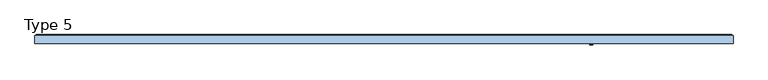
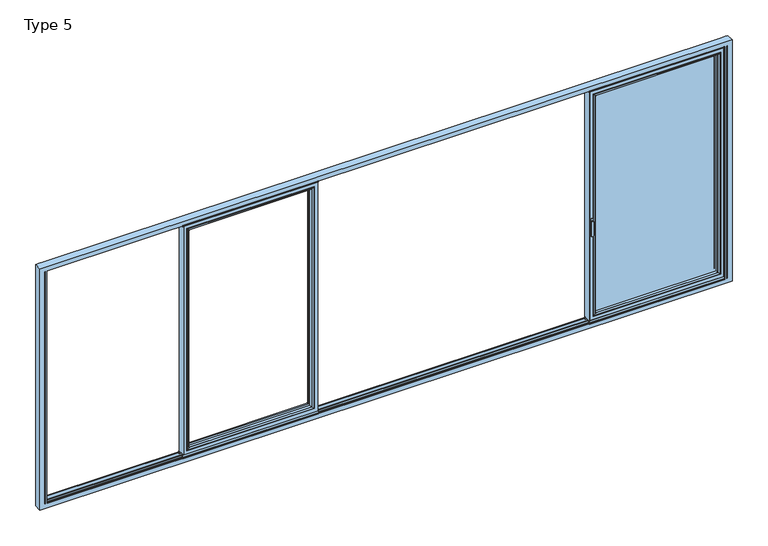
"""IFC4 building model written with IfcOpenShell, lengths in millimetres: window geometry, Type 5."""

from ifc_helpers import new_model, si_unit, point, frame, frame_2d, origin, place, context, project, spatial, polyline, circle_curve, ellipse_curve, trimmed, segment, composite_curve, outline, extrude, source, transform, mapped, element, save
from ifc_brep_helpers import plane_surface, cylinder_surface, extruded_surface, advanced_brep


def type_5_6c01a6b6(model_context):
    return source(origin(), model_context, "Body", "SolidModel", [
        advanced_brep(
        [(-1841.2804272, -64.5552044, 2283.0004272), (-1841.2804272, -64.5552044, 128.9995728), (-1841.2804272, -37.9928974, 128.9995728), (-1841.2804272, -37.9928974, 2283.0004272), (-1863.28, -37.9928974, 2305.0), (-671.76, -37.9928974, 2305.0), (-671.76, -37.9928974, 107.0), (-1863.28, -37.9928974, 107.0), (-693.7595728, -37.9928974, 2283.0004272), (-693.7595728, -37.9928974, 128.9995728), (-693.7595728, -64.5552044, 128.9995728), (-1841.9899707, -65.8045072, 2283.7099707), (-1841.9899707, -65.8045072, 128.2900293), (-693.0500293, -65.8045072, 128.2900293), (-1857.280061, -70.0, 2299.000061), (-1857.280061, -70.0, 112.999939), (-677.759939, -70.0, 112.999939), (-671.76, -70.0, 2305.0), (-1863.28, -70.0, 2305.0), (-1863.28, -70.0, 107.0), (-671.76, -70.0, 107.0), (-677.759939, -70.0, 2299.000061), (-693.7595728, -64.5552044, 2283.0004272), (-693.0500293, -65.8045072, 2283.7099707)],
        [
            (0, 1),
            (1, 2),
            (2, 3),
            (3, 0),
            (4, 5),
            (5, 6),
            (6, 7),
            (7, 4),
            (8, 3),
            (2, 9),
            (9, 8),
            (1, 10),
            (10, 9),
            (11, 12),
            (12, 1, ellipse_curve(frame((-1842.7350312, -64.5552044, 127.5449688), z_axis=(-0.7071067811865475, 0.0, 0.7071067811865475), x_axis=(0.7071067811865474, 0.0, 0.7071067811865476)), 2.0571207, 1.454604)),
            (0, 11, ellipse_curve(frame((-1842.7350312, -64.5552044, 2284.4550312), z_axis=(-0.7071067811865475, 0.0, -0.7071067811865475), x_axis=(-0.7071067811865474, 0.0, 0.7071067811865476)), 2.0571207, 1.454604)),
            (12, 13),
            (13, 10, ellipse_curve(frame((-692.3049688, -64.5552044, 127.5449688), z_axis=(-0.7071067811865475, 0.0, -0.7071067811865475), x_axis=(-0.7071067811865476, 0.0, 0.7071067811865474)), 2.0571207, 1.454604)),
            (14, 15),
            (15, 12, ellipse_curve(frame((-1857.2161254, -40.2735922, 113.0638746), z_axis=(-0.7071067811865475, 0.0, 0.7071067811865475), x_axis=(0.7071067811865474, 0.0, 0.7071067811865476)), 42.0395863, 29.7264765)),
            (11, 14, ellipse_curve(frame((-1857.2161254, -40.2735922, 2298.9361254), z_axis=(-0.7071067811865475, 0.0, -0.7071067811865475), x_axis=(-0.7071067811865474, 0.0, 0.7071067811865476)), 42.0395863, 29.7264765)),
            (15, 16),
            (16, 13, ellipse_curve(frame((-677.8238746, -40.2735922, 113.0638746), z_axis=(-0.7071067811865475, 0.0, -0.7071067811865475), x_axis=(-0.7071067811865476, 0.0, 0.7071067811865474)), 42.0395863, 29.7264765)),
            (17, 18),
            (18, 19),
            (19, 20),
            (20, 17),
            (14, 21),
            (21, 16),
            (7, 19),
            (18, 4),
            (6, 20),
            (10, 22),
            (22, 8),
            (13, 23),
            (23, 22, ellipse_curve(frame((-692.3049688, -64.5552044, 2284.4550312), z_axis=(0.7071067811865475, 0.0, -0.7071067811865475), x_axis=(-0.7071067811865474, 0.0, -0.7071067811865476)), 2.0571207, 1.454604)),
            (21, 23, ellipse_curve(frame((-677.8238746, -40.2735922, 2298.9361254), z_axis=(0.7071067811865475, 0.0, -0.7071067811865475), x_axis=(-0.7071067811865474, 0.0, -0.7071067811865476)), 42.0395863, 29.7264765)),
            (5, 17),
            (22, 0),
            (23, 11),
        ],
        [
            plane_surface(frame((-1841.2804272, -37.9928974, 2283.0004272), z_axis=(1.0, 0.0, 0.0), x_axis=(0.0, 0.0, -1.0))),
            plane_surface(frame((-671.76, -37.9928974, 107.0), z_axis=(0.0, 1.0, 0.0), x_axis=(0.0, 0.0, 1.0))),
            plane_surface(frame((-1841.2804272, -37.9928974, 128.9995728), z_axis=(0.0, 0.0, 1.0), x_axis=(1.0, 0.0, 0.0))),
            cylinder_surface(frame((-1842.7350312, -64.5552044, 2283.0004272), z_axis=(0.0, 0.0, 1.0), x_axis=(-1.0, 0.0, 0.0)), 1.454604),
            cylinder_surface(frame((-1841.2804272, -64.5552044, 127.5449688), z_axis=(-1.0, 0.0, 0.0), x_axis=(0.0, 0.0, -1.0)), 1.454604),
            cylinder_surface(frame((-1857.2161254, -40.2735922, 2283.0004272), z_axis=(0.0, 0.0, 1.0), x_axis=(-1.0, 0.0, 0.0)), 29.7264765),
            cylinder_surface(frame((-1841.2804272, -40.2735922, 113.0638746), z_axis=(-1.0, 0.0, 0.0), x_axis=(0.0, 0.0, -1.0)), 29.7264765),
            plane_surface(frame((-677.759939, -70.0, 112.999939), z_axis=(0.0, -1.0, 0.0), x_axis=(0.0, 0.0, 1.0))),
            plane_surface(frame((-1863.28, -70.0, 2305.0), z_axis=(-1.0, 0.0, 0.0), x_axis=(0.0, 0.0, -1.0))),
            plane_surface(frame((-1863.28, -70.0, 107.0), z_axis=(0.0, 0.0, -1.0), x_axis=(1.0, 0.0, 0.0))),
            plane_surface(frame((-693.7595728, -37.9928974, 128.9995728), z_axis=(-1.0, 0.0, 0.0), x_axis=(0.0, 0.0, 1.0))),
            cylinder_surface(frame((-692.3049688, -64.5552044, 128.9995728), z_axis=(0.0, 0.0, -1.0), x_axis=(1.0, 0.0, 0.0)), 1.454604),
            cylinder_surface(frame((-677.8238746, -40.2735922, 128.9995728), z_axis=(0.0, 0.0, -1.0), x_axis=(1.0, 0.0, 0.0)), 29.7264765),
            plane_surface(frame((-671.76, -70.0, 107.0), z_axis=(1.0, 0.0, 0.0), x_axis=(0.0, 0.0, 1.0))),
            plane_surface(frame((-693.7595728, -37.9928974, 2283.0004272), z_axis=(0.0, 0.0, -1.0), x_axis=(-1.0, 0.0, 0.0))),
            cylinder_surface(frame((-693.7595728, -64.5552044, 2284.4550312), z_axis=(1.0, 0.0, 0.0), x_axis=(0.0, 0.0, 1.0)), 1.454604),
            cylinder_surface(frame((-693.7595728, -40.2735922, 2298.9361254), z_axis=(1.0, 0.0, 0.0), x_axis=(0.0, 0.0, 1.0)), 29.7264765),
            plane_surface(frame((-671.76, -70.0, 2305.0), z_axis=(0.0, 0.0, 1.0), x_axis=(-1.0, 0.0, 0.0))),
        ],
        [
            (0, [[1, 2, 3, 4]]),
            (1, [[5, 6, 7, 8], [9, -3, 10, 11]]),
            (2, [[12, 13, -10, -2]]),
            (3, [[14, 15, -1, 16]]),
            (4, [[17, 18, -12, -15]]),
            (5, [[19, 20, -14, 21]]),
            (6, [[22, 23, -17, -20]]),
            (7, [[24, 25, 26, 27], [28, 29, -22, -19]]),
            (8, [[-8, 30, -25, 31]]),
            (9, [[-7, 32, -26, -30]]),
            (10, [[33, 34, -11, -13]]),
            (11, [[35, 36, -33, -18]]),
            (12, [[-29, 37, -35, -23]]),
            (13, [[-6, 38, -27, -32]]),
            (14, [[39, -4, -9, -34]]),
            (15, [[40, -16, -39, -36]]),
            (16, [[-28, -21, -40, -37]]),
            (17, [[-5, -31, -24, -38]]),
        ],
    ),
        advanced_brep(
        [(-639.76, -70.0, 2337.0), (-639.76, -70.0, 75.0), (-639.76, 0.0, 75.0), (-639.76, 0.0, 2337.0), (-1895.28, -70.0, 75.0), (-1895.28, 0.0, 75.0), (-1895.28, 0.0, 2337.0), (-1845.7808099, 0.0, 124.4991901), (-689.2591901, 0.0, 124.4991901), (-689.2591901, 0.0, 2287.5008099), (-1845.7808099, 0.0, 2287.5008099), (-1895.28, -70.0, 2337.0), (-671.76, -70.0, 107.0), (-1863.28, -70.0, 107.0), (-1863.28, -70.0, 2305.0), (-671.76, -70.0, 2305.0), (-671.76, -13.999939, 2305.0), (-671.76, -13.999939, 107.0), (-1863.28, -13.999939, 107.0), (-1863.28, -13.999939, 2305.0), (-693.7595728, -13.999939, 128.9995728), (-1841.2804272, -13.999939, 128.9995728), (-1841.2804272, -13.999939, 2283.0004272), (-693.7595728, -13.999939, 2283.0004272), (-693.7595728, -4.5004435, 2283.0004272), (-693.7595728, -4.5004435, 128.9995728), (-1841.2804272, -4.5004435, 128.9995728), (-1841.2804272, -4.5004435, 2283.0004272)],
        [
            (0, 1),
            (1, 2),
            (2, 3),
            (3, 0),
            (1, 4),
            (4, 5),
            (5, 2),
            (5, 6),
            (6, 3),
            (7, 8),
            (8, 9),
            (9, 10),
            (10, 7),
            (4, 11),
            (11, 6),
            (0, 11),
            (12, 13),
            (13, 14),
            (14, 15),
            (15, 12),
            (16, 17),
            (17, 12),
            (15, 16),
            (17, 18),
            (18, 13),
            (18, 19),
            (19, 14),
            (16, 19),
            (20, 21),
            (21, 22),
            (22, 23),
            (23, 20),
            (24, 25),
            (25, 20),
            (23, 24),
            (25, 26),
            (26, 21),
            (26, 27),
            (27, 22),
            (7, 26, ellipse_curve(frame((-1845.7808099, -4.5004435, 124.4991901), z_axis=(0.7071067811865475, 0.0, -0.7071067811865475), x_axis=(0.7071067811865476, 0.0, 0.7071067811865474)), 6.3645023, 4.5003827)),
            (25, 8, ellipse_curve(frame((-689.2591901, -4.5004435, 124.4991901), z_axis=(-0.7071067811865475, 0.0, -0.7071067811865475), x_axis=(0.7071067811865476, 0.0, -0.7071067811865474)), 6.3645023, 4.5003827)),
            (24, 9, ellipse_curve(frame((-689.2591901, -4.5004435, 2287.5008099), z_axis=(0.7071067811865475, 0.0, -0.7071067811865475), x_axis=(0.7071067811865474, 0.0, 0.7071067811865476)), 6.3645023, 4.5003827)),
            (10, 27, ellipse_curve(frame((-1845.7808099, -4.5004435, 2287.5008099), z_axis=(-0.7071067811865475, 0.0, -0.7071067811865475), x_axis=(0.7071067811865474, 0.0, -0.7071067811865476)), 6.3645023, 4.5003827)),
            (27, 24),
        ],
        [
            plane_surface(frame((-639.76, 0.0, 2337.0), z_axis=(1.0, 0.0, 0.0), x_axis=(0.0, 0.0, -1.0))),
            plane_surface(frame((-639.76, 0.0, 75.0), z_axis=(0.0, 0.0, -1.0), x_axis=(-1.0, 0.0, 0.0))),
            plane_surface(frame((-689.2591901, 0.0, 2287.5008099), z_axis=(0.0, 1.0, 0.0), x_axis=(0.0, 0.0, -1.0))),
            plane_surface(frame((-1895.28, 0.0, 75.0), z_axis=(-1.0, 0.0, 0.0), x_axis=(0.0, 0.0, 1.0))),
            plane_surface(frame((-639.76, -70.0, 2337.0), z_axis=(0.0, -1.0, 0.0), x_axis=(0.0, 0.0, -1.0))),
            plane_surface(frame((-671.76, -70.0, 2305.0), z_axis=(-1.0, 0.0, 0.0), x_axis=(0.0, 0.0, -1.0))),
            plane_surface(frame((-671.76, -70.0, 107.0), z_axis=(0.0, 0.0, 1.0), x_axis=(-1.0, 0.0, 0.0))),
            plane_surface(frame((-1863.28, -70.0, 107.0), z_axis=(1.0, 0.0, 0.0), x_axis=(0.0, 0.0, 1.0))),
            plane_surface(frame((-671.76, -13.999939, 2305.0), z_axis=(0.0, -1.0, 0.0), x_axis=(0.0, 0.0, -1.0))),
            plane_surface(frame((-693.7595728, -13.999939, 2283.0004272), z_axis=(-1.0, 0.0, 0.0), x_axis=(0.0, 0.0, -1.0))),
            plane_surface(frame((-693.7595728, -13.999939, 128.9995728), z_axis=(0.0, 0.0, 1.0), x_axis=(-1.0, 0.0, 0.0))),
            plane_surface(frame((-1841.2804272, -13.999939, 128.9995728), z_axis=(1.0, 0.0, 0.0), x_axis=(0.0, 0.0, 1.0))),
            cylinder_surface(frame((-633.76, -4.5004435, 124.4991901), z_axis=(1.0, 0.0, 0.0), x_axis=(0.0, -1.0, 0.0)), 4.5003827),
            cylinder_surface(frame((-689.2591901, -4.5004435, 2343.0), z_axis=(0.0, 0.0, 1.0), x_axis=(0.0, -1.0, 0.0)), 4.5003827),
            cylinder_surface(frame((-1845.7808099, -4.5004435, 69.0), z_axis=(0.0, 0.0, -1.0), x_axis=(0.0, -1.0, 0.0)), 4.5003827),
            plane_surface(frame((-1895.28, 0.0, 2337.0), z_axis=(0.0, 0.0, 1.0), x_axis=(1.0, 0.0, 0.0))),
            plane_surface(frame((-1863.28, -70.0, 2305.0), z_axis=(0.0, 0.0, -1.0), x_axis=(1.0, 0.0, 0.0))),
            plane_surface(frame((-1841.2804272, -13.999939, 2283.0004272), z_axis=(0.0, 0.0, -1.0), x_axis=(1.0, 0.0, 0.0))),
            cylinder_surface(frame((-1901.28, -4.5004435, 2287.5008099), z_axis=(-1.0, 0.0, 0.0), x_axis=(0.0, -1.0, 0.0)), 4.5003827),
        ],
        [
            (0, [[1, 2, 3, 4]]),
            (1, [[5, 6, 7, -2]]),
            (2, [[-7, 8, 9, -3], [10, 11, 12, 13]]),
            (3, [[14, 15, -8, -6]]),
            (4, [[-5, -1, 16, -14], [17, 18, 19, 20]]),
            (5, [[21, 22, -20, 23]]),
            (6, [[24, 25, -17, -22]]),
            (7, [[26, 27, -18, -25]]),
            (8, [[-24, -21, 28, -26], [29, 30, 31, 32]]),
            (9, [[33, 34, -32, 35]]),
            (10, [[36, 37, -29, -34]]),
            (11, [[38, 39, -30, -37]]),
            (12, [[-10, 40, -36, 41]]),
            (13, [[-11, -41, -33, 42]]),
            (14, [[-13, 43, -38, -40]]),
            (15, [[-16, -4, -9, -15]]),
            (16, [[-28, -23, -19, -27]]),
            (17, [[44, -35, -31, -39]]),
            (18, [[-12, -42, -44, -43]]),
        ],
    ),
        extrude(outline(polyline([(-633.76, -7.6000076), (-1901.28, -7.6000076), (-1901.28, 0.0), (-633.76, 0.0), (-633.76, -7.6000076)])), frame((0.0, 0.0, 52.9995117), z_axis=(0.0, 0.0, 1.0), x_axis=(1.0, 0.0, 0.0)), (0.0, 0.0, 1.0), 22.0004883),
        extrude(outline(composite_curve([segment(polyline([(-70.0, 45.0), (-70.0, 41.2896854), (-70.8737, 41.2896854), (-71.8670103, 44.9870904)]), True, "CONTINUOUS"), segment(trimmed(circle_curve(frame_2d((-69.9354978, 45.5059925)), 2.0), [point((-71.8670103, 44.9870904))], [point((-71.8566157, 46.0621453))], False, "CARTESIAN"), True, "CONTINUOUS"), segment(polyline([(-71.8566157, 46.0621453), (-70.0, 52.4754501), (-70.0, 75.0), (-62.2757497, 75.0), (-62.2757497, 45.0), (-70.0, 45.0)]), True, "CONTINUOUS")], self_intersect=False)), frame((-1901.28, 0.0, 0.0), z_axis=(1.0, 0.0, 0.0), x_axis=(0.0, 1.0, 0.0)), (0.0, 0.0, 1.0), 1267.52),
        extrude(outline(composite_curve([segment(polyline([(-52.044326, 2339.1400778), (-52.044326, 2337.0), (-70.0, 2337.0), (-71.8735116, 2343.9547971)]), True, "CONTINUOUS"), segment(trimmed(circle_curve(frame_2d((-69.9423544, 2344.4750201)), 2.0), [point((-71.8735116, 2343.9547971))], [point((-71.8738669, 2344.9939222))], False, "CARTESIAN"), True, "CONTINUOUS"), segment(polyline([(-71.8738669, 2344.9939222), (-70.8937897, 2348.6420698), (-70.0, 2348.6420698), (-70.0, 2342.963961), (-68.6363596, 2339.1400778), (-52.044326, 2339.1400778)]), True, "CONTINUOUS")], self_intersect=False)), frame((-1901.28, 0.0, 0.0), z_axis=(1.0, 0.0, 0.0), x_axis=(0.0, 1.0, 0.0)), (0.0, 0.0, 1.0), 1267.52),
        advanced_brep(
        [(1935.2686308, -73.5, 1050.0), (1911.2913692, -73.5, 1050.0), (1935.2686308, -76.8965533, 1050.0), (1911.2913692, -76.8965533, 1050.0), (1935.2686308, -84.5, 1050.0), (1911.2913692, -84.5, 1050.0), (1911.2913692, -84.5, 918.6867153), (1935.2686308, -84.5, 918.6867153), (1935.2686308, -76.8965533, 918.6867153), (1911.2913692, -76.8965533, 918.6867153)],
        [
            (0, 1, circle_curve(frame((1923.28, -73.5, 1050.0), z_axis=(0.0, 1.0, 0.0), x_axis=(-1.0, 0.0, 0.0)), 11.9886308)),
            (1, 0, circle_curve(frame((1923.28, -73.5, 1050.0), z_axis=(0.0, 1.0, 0.0), x_axis=(-1.0, 0.0, 0.0)), 11.9886308)),
            (0, 2),
            (2, 3, circle_curve(frame((1923.28, -76.8965533, 1050.0), z_axis=(0.0, 1.0, 0.0), x_axis=(-1.0, 0.0, 0.0)), 11.9886308)),
            (3, 1),
            (3, 2, circle_curve(frame((1923.28, -76.8965533, 1050.0), z_axis=(0.0, 1.0, 0.0), x_axis=(-1.0, 0.0, 0.0)), 11.9886308)),
            (4, 5, circle_curve(frame((1923.28, -84.5, 1050.0), z_axis=(0.0, -1.0, 0.0), x_axis=(-1.0, 0.0, 0.0)), 11.9886308)),
            (5, 6),
            (6, 7, ellipse_curve(frame((1923.28, -84.5, 918.6867153), z_axis=(0.0, -1.0, 0.0), x_axis=(1.0, 0.0, 0.0)), 11.9886308, 7.9050795)),
            (7, 4),
            (2, 8),
            (8, 9, ellipse_curve(frame((1923.28, -76.8965533, 918.6867153), z_axis=(0.0, 1.0, 0.0), x_axis=(1.0, 0.0, 0.0)), 11.9886308, 7.9050795)),
            (9, 3),
            (7, 8),
            (2, 4),
            (6, 9),
            (5, 3),
        ],
        [
            plane_surface(frame((1911.2913692, -73.5, 1050.0), z_axis=(0.0, 1.0, 0.0), x_axis=(0.0, 0.0, -1.0))),
            cylinder_surface(frame((1923.28, -73.5, 1050.0), z_axis=(0.0, -1.0, 0.0), x_axis=(-1.0, 0.0, 0.0)), 11.9886308),
            plane_surface(frame((1935.2686308, -84.5, 928.3382074), z_axis=(0.0, -1.0, 0.0), x_axis=(0.0, 0.0, -1.0))),
            plane_surface(frame((1935.2686308, -76.8965533, 928.3382074), z_axis=(0.0, 1.0, 0.0), x_axis=(0.0, 0.0, 1.0))),
            plane_surface(frame((1935.2686308, -84.5, 1050.0), z_axis=(1.0, 0.0, 0.0), x_axis=(0.0, 1.0, 0.0))),
            extruded_surface(trimmed(ellipse_curve(frame((1923.28, -76.8965533, 918.6867153), z_axis=(0.0, 1.0, 0.0), x_axis=(1.0, 0.0, 0.0)), 11.9886308, 7.9050795), [point((1935.2686308, -76.8965533, 918.6867153))], [point((1911.2913692, -76.8965533, 918.6867153))], True, "CARTESIAN"), (0.0, 7.603446699999992, 0.0), 7.603446699999992),
            plane_surface(frame((1911.2913692, -84.5, 918.6867153), z_axis=(-1.0, 0.0, 0.0), x_axis=(0.0, 1.0, 0.0))),
            cylinder_surface(frame((1923.28, -76.8965533, 1050.0), z_axis=(0.0, -1.0, 0.0), x_axis=(-1.0, 0.0, 0.0)), 11.9886308),
        ],
        [
            (0, [[1, 2]]),
            (1, [[3, 4, 5, -1]]),
            (1, [[-5, 6, -3, -2]]),
            (2, [[7, 8, 9, 10]]),
            (3, [[-4, 11, 12, 13]]),
            (4, [[14, -11, 15, -10]]),
            (5, [[16, -12, -14, -9]]),
            (6, [[17, -13, -16, -8]]),
            (7, [[-15, -6, -17, -7]]),
        ],
    ),
        extrude(outline(composite_curve([segment(trimmed(circle_curve(frame_2d((1068.75, 1923.28)), 14.0), [point((1068.75, 1937.28))], [point((1068.75, 1909.28))], False, "CARTESIAN"), True, "CONTINUOUS"), segment(polyline([(1068.75, 1909.28), (1031.25, 1909.28)]), True, "CONTINUOUS"), segment(trimmed(circle_curve(frame_2d((1031.25, 1923.28)), 14.0), [point((1031.25, 1909.28))], [point((1031.25, 1937.28))], False, "CARTESIAN"), True, "CONTINUOUS"), segment(polyline([(1031.25, 1937.28), (1068.75, 1937.28)]), True, "CONTINUOUS")], self_intersect=False)), frame((0.0, -73.5, 0.0), z_axis=(0.0, 1.0, 0.0), x_axis=(0.0, 0.0, 1.0)), (0.0, 0.0, 1.0), 3.5),
        extrude(outline(polyline([(3168.8, 0.0), (3168.8, -70.0), (3162.8, -70.0), (3162.8, 0.0), (3168.8, 0.0)])), frame((0.0, 0.0, 75.0), z_axis=(0.0, 0.0, 1.0), x_axis=(1.0, 0.0, 0.0)), (0.0, 0.0, 1.0), 2262.0),
        extrude(outline(polyline([(1901.28, 0.0), (1907.28, 0.0), (1907.28, -70.0), (1901.28, -70.0), (1901.28, 0.0)])), frame((0.0, 0.0, 75.0), z_axis=(0.0, 0.0, 1.0), x_axis=(1.0, 0.0, 0.0)), (0.0, 0.0, 1.0), 2262.0),
        extrude(outline(polyline([(3130.8, -13.999939), (3130.8, -37.9928974), (1939.28, -37.9928974), (1939.28, -13.999939), (3130.8, -13.999939)])), frame((0.0, 0.0, 107.0), z_axis=(0.0, 0.0, 1.0), x_axis=(1.0, 0.0, 0.0)), (0.0, 0.0, 1.0), 2198.0),
        advanced_brep(
        [(1961.2795728, -64.5552044, 2283.0004272), (1961.2795728, -64.5552044, 128.9995728), (1961.2795728, -37.9928974, 128.9995728), (1961.2795728, -37.9928974, 2283.0004272), (1939.28, -37.9928974, 2305.0), (3130.8, -37.9928974, 2305.0), (3130.8, -37.9928974, 107.0), (1939.28, -37.9928974, 107.0), (3108.8004272, -37.9928974, 2283.0004272), (3108.8004272, -37.9928974, 128.9995728), (3108.8004272, -64.5552044, 128.9995728), (1960.5700293, -65.8045072, 2283.7099707), (1960.5700293, -65.8045072, 128.2900293), (3109.5099707, -65.8045072, 128.2900293), (1945.279939, -70.0, 2299.000061), (1945.279939, -70.0, 112.999939), (3124.800061, -70.0, 112.999939), (3130.8, -70.0, 2305.0), (1939.28, -70.0, 2305.0), (1939.28, -70.0, 107.0), (3130.8, -70.0, 107.0), (3124.800061, -70.0, 2299.000061), (3108.8004272, -64.5552044, 2283.0004272), (3109.5099707, -65.8045072, 2283.7099707)],
        [
            (0, 1),
            (1, 2),
            (2, 3),
            (3, 0),
            (4, 5),
            (5, 6),
            (6, 7),
            (7, 4),
            (8, 3),
            (2, 9),
            (9, 8),
            (1, 10),
            (10, 9),
            (11, 12),
            (12, 1, ellipse_curve(frame((1959.8249688, -64.5552044, 127.5449688), z_axis=(-0.7071067811865475, 0.0, 0.7071067811865475), x_axis=(0.7071067811865474, 0.0, 0.7071067811865476)), 2.0571207, 1.454604)),
            (0, 11, ellipse_curve(frame((1959.8249688, -64.5552044, 2284.4550312), z_axis=(-0.7071067811865475, 0.0, -0.7071067811865475), x_axis=(-0.7071067811865474, 0.0, 0.7071067811865476)), 2.0571207, 1.454604)),
            (12, 13),
            (13, 10, ellipse_curve(frame((3110.2550312, -64.5552044, 127.5449688), z_axis=(-0.7071067811865475, 0.0, -0.7071067811865475), x_axis=(-0.7071067811865476, 0.0, 0.7071067811865474)), 2.0571207, 1.454604)),
            (14, 15),
            (15, 12, ellipse_curve(frame((1945.3438746, -40.2735922, 113.0638746), z_axis=(-0.7071067811865475, 0.0, 0.7071067811865475), x_axis=(0.7071067811865474, 0.0, 0.7071067811865476)), 42.0395863, 29.7264765)),
            (11, 14, ellipse_curve(frame((1945.3438746, -40.2735922, 2298.9361254), z_axis=(-0.7071067811865475, 0.0, -0.7071067811865475), x_axis=(-0.7071067811865474, 0.0, 0.7071067811865476)), 42.0395863, 29.7264765)),
            (15, 16),
            (16, 13, ellipse_curve(frame((3124.7361254, -40.2735922, 113.0638746), z_axis=(-0.7071067811865475, 0.0, -0.7071067811865475), x_axis=(-0.7071067811865476, 0.0, 0.7071067811865474)), 42.0395863, 29.7264765)),
            (17, 18),
            (18, 19),
            (19, 20),
            (20, 17),
            (14, 21),
            (21, 16),
            (7, 19),
            (18, 4),
            (6, 20),
            (10, 22),
            (22, 8),
            (13, 23),
            (23, 22, ellipse_curve(frame((3110.2550312, -64.5552044, 2284.4550312), z_axis=(0.7071067811865475, 0.0, -0.7071067811865475), x_axis=(-0.7071067811865474, 0.0, -0.7071067811865476)), 2.0571207, 1.454604)),
            (21, 23, ellipse_curve(frame((3124.7361254, -40.2735922, 2298.9361254), z_axis=(0.7071067811865475, 0.0, -0.7071067811865475), x_axis=(-0.7071067811865474, 0.0, -0.7071067811865476)), 42.0395863, 29.7264765)),
            (5, 17),
            (22, 0),
            (23, 11),
        ],
        [
            plane_surface(frame((1961.2795728, -37.9928974, 2283.0004272), z_axis=(1.0, 0.0, 0.0), x_axis=(0.0, 0.0, -1.0))),
            plane_surface(frame((3130.8, -37.9928974, 107.0), z_axis=(0.0, 1.0, 0.0), x_axis=(0.0, 0.0, 1.0))),
            plane_surface(frame((1961.2795728, -37.9928974, 128.9995728), z_axis=(0.0, 0.0, 1.0), x_axis=(1.0, 0.0, 0.0))),
            cylinder_surface(frame((1959.8249688, -64.5552044, 2283.0004272), z_axis=(0.0, 0.0, 1.0), x_axis=(-1.0, 0.0, 0.0)), 1.454604),
            cylinder_surface(frame((1961.2795728, -64.5552044, 127.5449688), z_axis=(-1.0, 0.0, 0.0), x_axis=(0.0, 0.0, -1.0)), 1.454604),
            cylinder_surface(frame((1945.3438746, -40.2735922, 2283.0004272), z_axis=(0.0, 0.0, 1.0), x_axis=(-1.0, 0.0, 0.0)), 29.7264765),
            cylinder_surface(frame((1961.2795728, -40.2735922, 113.0638746), z_axis=(-1.0, 0.0, 0.0), x_axis=(0.0, 0.0, -1.0)), 29.7264765),
            plane_surface(frame((3124.800061, -70.0, 112.999939), z_axis=(0.0, -1.0, 0.0), x_axis=(0.0, 0.0, 1.0))),
            plane_surface(frame((1939.28, -70.0, 2305.0), z_axis=(-1.0, 0.0, 0.0), x_axis=(0.0, 0.0, -1.0))),
            plane_surface(frame((1939.28, -70.0, 107.0), z_axis=(0.0, 0.0, -1.0), x_axis=(1.0, 0.0, 0.0))),
            plane_surface(frame((3108.8004272, -37.9928974, 128.9995728), z_axis=(-1.0, 0.0, 0.0), x_axis=(0.0, 0.0, 1.0))),
            cylinder_surface(frame((3110.2550312, -64.5552044, 128.9995728), z_axis=(0.0, 0.0, -1.0), x_axis=(1.0, 0.0, 0.0)), 1.454604),
            cylinder_surface(frame((3124.7361254, -40.2735922, 128.9995728), z_axis=(0.0, 0.0, -1.0), x_axis=(1.0, 0.0, 0.0)), 29.7264765),
            plane_surface(frame((3130.8, -70.0, 107.0), z_axis=(1.0, 0.0, 0.0), x_axis=(0.0, 0.0, 1.0))),
            plane_surface(frame((3108.8004272, -37.9928974, 2283.0004272), z_axis=(0.0, 0.0, -1.0), x_axis=(-1.0, 0.0, 0.0))),
            cylinder_surface(frame((3108.8004272, -64.5552044, 2284.4550312), z_axis=(1.0, 0.0, 0.0), x_axis=(0.0, 0.0, 1.0)), 1.454604),
            cylinder_surface(frame((3108.8004272, -40.2735922, 2298.9361254), z_axis=(1.0, 0.0, 0.0), x_axis=(0.0, 0.0, 1.0)), 29.7264765),
            plane_surface(frame((3130.8, -70.0, 2305.0), z_axis=(0.0, 0.0, 1.0), x_axis=(-1.0, 0.0, 0.0))),
        ],
        [
            (0, [[1, 2, 3, 4]]),
            (1, [[5, 6, 7, 8], [9, -3, 10, 11]]),
            (2, [[12, 13, -10, -2]]),
            (3, [[14, 15, -1, 16]]),
            (4, [[17, 18, -12, -15]]),
            (5, [[19, 20, -14, 21]]),
            (6, [[22, 23, -17, -20]]),
            (7, [[24, 25, 26, 27], [28, 29, -22, -19]]),
            (8, [[-8, 30, -25, 31]]),
            (9, [[-7, 32, -26, -30]]),
            (10, [[33, 34, -11, -13]]),
            (11, [[35, 36, -33, -18]]),
            (12, [[-29, 37, -35, -23]]),
            (13, [[-6, 38, -27, -32]]),
            (14, [[39, -4, -9, -34]]),
            (15, [[40, -16, -39, -36]]),
            (16, [[-28, -21, -40, -37]]),
            (17, [[-5, -31, -24, -38]]),
        ],
    ),
        advanced_brep(
        [(3162.8, -70.0, 2337.0), (3162.8, -70.0, 75.0), (3162.8, 0.0, 75.0), (3162.8, 0.0, 2337.0), (1907.28, -70.0, 75.0), (1907.28, 0.0, 75.0), (1907.28, 0.0, 2337.0), (1956.7791901, 0.0, 124.4991901), (3113.3008099, 0.0, 124.4991901), (3113.3008099, 0.0, 2287.5008099), (1956.7791901, 0.0, 2287.5008099), (1907.28, -70.0, 2337.0), (3130.8, -70.0, 107.0), (1939.28, -70.0, 107.0), (1939.28, -70.0, 2305.0), (3130.8, -70.0, 2305.0), (3130.8, -13.999939, 2305.0), (3130.8, -13.999939, 107.0), (1939.28, -13.999939, 107.0), (1939.28, -13.999939, 2305.0), (3108.8004272, -13.999939, 128.9995728), (1961.2795728, -13.999939, 128.9995728), (1961.2795728, -13.999939, 2283.0004272), (3108.8004272, -13.999939, 2283.0004272), (3108.8004272, -4.5004435, 2283.0004272), (3108.8004272, -4.5004435, 128.9995728), (1961.2795728, -4.5004435, 128.9995728), (1961.2795728, -4.5004435, 2283.0004272)],
        [
            (0, 1),
            (1, 2),
            (2, 3),
            (3, 0),
            (1, 4),
            (4, 5),
            (5, 2),
            (5, 6),
            (6, 3),
            (7, 8),
            (8, 9),
            (9, 10),
            (10, 7),
            (4, 11),
            (11, 6),
            (0, 11),
            (12, 13),
            (13, 14),
            (14, 15),
            (15, 12),
            (16, 17),
            (17, 12),
            (15, 16),
            (17, 18),
            (18, 13),
            (18, 19),
            (19, 14),
            (16, 19),
            (20, 21),
            (21, 22),
            (22, 23),
            (23, 20),
            (24, 25),
            (25, 20),
            (23, 24),
            (25, 26),
            (26, 21),
            (26, 27),
            (27, 22),
            (7, 26, ellipse_curve(frame((1956.7791901, -4.5004435, 124.4991901), z_axis=(0.7071067811865475, 0.0, -0.7071067811865475), x_axis=(0.7071067811865476, 0.0, 0.7071067811865474)), 6.3645023, 4.5003827)),
            (25, 8, ellipse_curve(frame((3113.3008099, -4.5004435, 124.4991901), z_axis=(-0.7071067811865475, 0.0, -0.7071067811865475), x_axis=(0.7071067811865476, 0.0, -0.7071067811865474)), 6.3645023, 4.5003827)),
            (24, 9, ellipse_curve(frame((3113.3008099, -4.5004435, 2287.5008099), z_axis=(0.7071067811865475, 0.0, -0.7071067811865475), x_axis=(0.7071067811865474, 0.0, 0.7071067811865476)), 6.3645023, 4.5003827)),
            (10, 27, ellipse_curve(frame((1956.7791901, -4.5004435, 2287.5008099), z_axis=(-0.7071067811865475, 0.0, -0.7071067811865475), x_axis=(0.7071067811865474, 0.0, -0.7071067811865476)), 6.3645023, 4.5003827)),
            (27, 24),
        ],
        [
            plane_surface(frame((3162.8, 0.0, 2337.0), z_axis=(1.0, 0.0, 0.0), x_axis=(0.0, 0.0, -1.0))),
            plane_surface(frame((3162.8, 0.0, 75.0), z_axis=(0.0, 0.0, -1.0), x_axis=(-1.0, 0.0, 0.0))),
            plane_surface(frame((3113.3008099, 0.0, 2287.5008099), z_axis=(0.0, 1.0, 0.0), x_axis=(0.0, 0.0, -1.0))),
            plane_surface(frame((1907.28, 0.0, 75.0), z_axis=(-1.0, 0.0, 0.0), x_axis=(0.0, 0.0, 1.0))),
            plane_surface(frame((3162.8, -70.0, 2337.0), z_axis=(0.0, -1.0, 0.0), x_axis=(0.0, 0.0, -1.0))),
            plane_surface(frame((3130.8, -70.0, 2305.0), z_axis=(-1.0, 0.0, 0.0), x_axis=(0.0, 0.0, -1.0))),
            plane_surface(frame((3130.8, -70.0, 107.0), z_axis=(0.0, 0.0, 1.0), x_axis=(-1.0, 0.0, 0.0))),
            plane_surface(frame((1939.28, -70.0, 107.0), z_axis=(1.0, 0.0, 0.0), x_axis=(0.0, 0.0, 1.0))),
            plane_surface(frame((3130.8, -13.999939, 2305.0), z_axis=(0.0, -1.0, 0.0), x_axis=(0.0, 0.0, -1.0))),
            plane_surface(frame((3108.8004272, -13.999939, 2283.0004272), z_axis=(-1.0, 0.0, 0.0), x_axis=(0.0, 0.0, -1.0))),
            plane_surface(frame((3108.8004272, -13.999939, 128.9995728), z_axis=(0.0, 0.0, 1.0), x_axis=(-1.0, 0.0, 0.0))),
            plane_surface(frame((1961.2795728, -13.999939, 128.9995728), z_axis=(1.0, 0.0, 0.0), x_axis=(0.0, 0.0, 1.0))),
            cylinder_surface(frame((3168.8, -4.5004435, 124.4991901), z_axis=(1.0, 0.0, 0.0), x_axis=(0.0, -1.0, 0.0)), 4.5003827),
            cylinder_surface(frame((3113.3008099, -4.5004435, 2343.0), z_axis=(0.0, 0.0, 1.0), x_axis=(0.0, -1.0, 0.0)), 4.5003827),
            cylinder_surface(frame((1956.7791901, -4.5004435, 69.0), z_axis=(0.0, 0.0, -1.0), x_axis=(0.0, -1.0, 0.0)), 4.5003827),
            plane_surface(frame((1907.28, 0.0, 2337.0), z_axis=(0.0, 0.0, 1.0), x_axis=(1.0, 0.0, 0.0))),
            plane_surface(frame((1939.28, -70.0, 2305.0), z_axis=(0.0, 0.0, -1.0), x_axis=(1.0, 0.0, 0.0))),
            plane_surface(frame((1961.2795728, -13.999939, 2283.0004272), z_axis=(0.0, 0.0, -1.0), x_axis=(1.0, 0.0, 0.0))),
            cylinder_surface(frame((1901.28, -4.5004435, 2287.5008099), z_axis=(-1.0, 0.0, 0.0), x_axis=(0.0, -1.0, 0.0)), 4.5003827),
        ],
        [
            (0, [[1, 2, 3, 4]]),
            (1, [[5, 6, 7, -2]]),
            (2, [[-7, 8, 9, -3], [10, 11, 12, 13]]),
            (3, [[14, 15, -8, -6]]),
            (4, [[-5, -1, 16, -14], [17, 18, 19, 20]]),
            (5, [[21, 22, -20, 23]]),
            (6, [[24, 25, -17, -22]]),
            (7, [[26, 27, -18, -25]]),
            (8, [[-24, -21, 28, -26], [29, 30, 31, 32]]),
            (9, [[33, 34, -32, 35]]),
            (10, [[36, 37, -29, -34]]),
            (11, [[38, 39, -30, -37]]),
            (12, [[-10, 40, -36, 41]]),
            (13, [[-11, -41, -33, 42]]),
            (14, [[-13, 43, -38, -40]]),
            (15, [[-16, -4, -9, -15]]),
            (16, [[-28, -23, -19, -27]]),
            (17, [[44, -35, -31, -39]]),
            (18, [[-12, -42, -44, -43]]),
        ],
    ),
        extrude(outline(polyline([(3168.8, -7.6000076), (1901.28, -7.6000076), (1901.28, 0.0), (3168.8, 0.0), (3168.8, -7.6000076)])), frame((0.0, 0.0, 52.9995117), z_axis=(0.0, 0.0, 1.0), x_axis=(1.0, 0.0, 0.0)), (0.0, 0.0, 1.0), 22.0004883),
        extrude(outline(composite_curve([segment(polyline([(-70.0, 45.0), (-70.0, 41.2896854), (-70.8737, 41.2896854), (-71.8670103, 44.9870904)]), True, "CONTINUOUS"), segment(trimmed(circle_curve(frame_2d((-69.9354978, 45.5059925)), 2.0), [point((-71.8670103, 44.9870904))], [point((-71.8566157, 46.0621453))], False, "CARTESIAN"), True, "CONTINUOUS"), segment(polyline([(-71.8566157, 46.0621453), (-70.0, 52.4754501), (-70.0, 75.0), (-62.2757497, 75.0), (-62.2757497, 45.0), (-70.0, 45.0)]), True, "CONTINUOUS")], self_intersect=False)), frame((1901.28, 0.0, 0.0), z_axis=(1.0, 0.0, 0.0), x_axis=(0.0, 1.0, 0.0)), (0.0, 0.0, 1.0), 1267.52),
        extrude(outline(composite_curve([segment(polyline([(-52.044326, 2339.1400778), (-52.044326, 2337.0), (-70.0, 2337.0), (-71.8735116, 2343.9547971)]), True, "CONTINUOUS"), segment(trimmed(circle_curve(frame_2d((-69.9423544, 2344.4750201)), 2.0), [point((-71.8735116, 2343.9547971))], [point((-71.8738669, 2344.9939222))], False, "CARTESIAN"), True, "CONTINUOUS"), segment(polyline([(-71.8738669, 2344.9939222), (-70.8937897, 2348.6420698), (-70.0, 2348.6420698), (-70.0, 2342.963961), (-68.6363596, 2339.1400778), (-52.044326, 2339.1400778)]), True, "CONTINUOUS")], self_intersect=False)), frame((1901.28, 0.0, 0.0), z_axis=(1.0, 0.0, 0.0), x_axis=(0.0, 1.0, 0.0)), (0.0, 0.0, 1.0), 1267.52),
        advanced_brep(
        [(-3195.0, -70.0, 45.0), (-3195.0, -66.5, 45.0), (-3195.0, -66.4999084, 2345.0), (-3195.0, -70.0, 2345.0), (-3190.0003662, -70.0, 45.0), (-3190.0003662, -66.5, 45.0), (3195.0, -70.0, 45.0), (3195.0, -66.5, 45.0), (3190.0003662, -66.4999084, 45.0), (3190.0003662, -70.0, 45.0), (-3168.8, -66.5, 45.0), (-3168.8, -70.0, 45.0), (3168.7961345, -70.0, 45.0), (3168.7961345, -66.5, 45.0), (-3240.0, -70.0, 2390.0), (-3240.0, -70.0, 0.0), (3240.0, -70.0, 0.0), (3240.0, -70.0, 2390.0), (-3190.0003662, -70.0, 2345.0), (3195.0, -70.0, 2345.0), (3190.0003662, -70.0, 2345.0), (-3168.8, -70.0, 2345.0), (3168.7961345, -70.0, 2345.0), (-3190.0003662, -66.5, 2345.0), (3195.0, -66.5, 2345.0), (3190.0003662, -66.4999084, 2345.0), (-3168.8, -66.5, 24.0002136), (-3168.8, -55.8499756, 24.0002136), (-3168.8, -55.8499756, 40.999939), (-3168.8, -46.25, 40.999939), (-3168.8, -46.25, 24.0002136), (-3168.8, -23.7500839, 24.0002136), (-3168.8, -23.7500839, 40.999939), (-3168.8, -14.1501312, 40.999939), (-3168.8, -14.1501312, 24.0002136), (-3168.8, 0.0, 24.0002136), (-3168.8, 0.0, 59.9999084), (-3168.8, 0.0, 2330.0000916), (-3168.8, 0.0, 2365.9997864), (-3168.8, -14.1501312, 2365.9997864), (-3168.8, -14.1501312, 2349.000061), (-3168.8, -23.7500839, 2349.000061), (-3168.8, -23.7500839, 2365.9997864), (-3168.8, -46.25, 2365.9997864), (-3168.8, -46.25, 2349.000061), (-3168.8, -55.8499756, 2349.000061), (-3168.8, -55.8499756, 2365.9997864), (-3168.8, -66.5, 2365.9997864), (-3168.8, -66.5, 2345.0), (3168.7961345, -66.5, 2345.0), (3168.7961345, -66.5, 2365.9997864), (3168.7961345, -55.8499756, 2365.9997864), (3168.7961345, -55.8499756, 2349.000061), (3168.7961345, -46.25, 2349.000061), (3168.7961345, -46.25, 2365.9997864), (3168.7961345, -23.7500839, 2365.9997864), (3168.7961345, -23.7500839, 2349.000061), (3168.7961345, -14.1501312, 2349.000061), (3168.7961345, -14.1501312, 2365.9997864), (3168.7961345, 0.0, 2365.9997864), (3168.7961345, 0.0, 2330.0000916), (3168.7961345, 0.0, 59.9999084), (3168.7961345, 0.0, 24.0002136), (3168.7961345, -14.1501312, 24.0002136), (3168.7961345, -14.1501312, 40.999939), (3168.7961345, -23.7500839, 40.999939), (3168.7961345, -23.7500839, 24.0002136), (3168.7961345, -46.25, 24.0002136), (3168.7961345, -46.25, 40.999939), (3168.7961345, -55.8499756, 40.999939), (3168.7961345, -55.8499756, 24.0002136), (3168.7961345, -66.5, 24.0002136), (-3240.0, 0.0, 0.0), (-3215.9997864, 0.0, 0.0), (-3168.8, 0.0, 0.0), (3168.7961345, 0.0, 0.0), (3215.9997864, 0.0, 0.0), (3240.0, 0.0, 0.0), (-3240.0, 0.0, 2390.0), (-3215.9997864, 0.0, 2390.0), (-3168.8, 0.0, 2390.0), (3168.7961345, 0.0, 2390.0), (3215.9997864, 0.0, 2390.0), (3240.0, 0.0, 2390.0), (-3227.999939, 0.0, 2377.999939), (-3227.999939, 0.0, 12.000061), (-3215.9997864, 0.0, 12.000061), (-3168.8, 0.0, 12.000061), (3168.7961345, 0.0, 12.000061), (3215.9997864, 0.0, 12.000061), (3227.999939, 0.0, 12.000061), (3227.999939, 0.0, 2377.999939), (3215.9997864, 0.0, 2377.999939), (3168.7961345, 0.0, 2377.999939), (-3168.8, 0.0, 2377.999939), (-3215.9997864, 0.0, 2377.999939), (-3180.0000916, 0.0, 59.9999084), (-3180.0000916, 7.4999847, 59.9999084), (-3180.0000916, 7.4999847, 2330.0000916), (-3180.0000916, 0.0, 2330.0000916), (3180.0000916, 0.0, 59.9999084), (3180.0000916, 7.4999847, 59.9999084), (3180.0000916, 0.0, 2330.0000916), (3180.0000916, 7.4999847, 2330.0000916), (3182.5000916, 9.9999847, 57.4999084), (-3182.5000916, 9.9999847, 57.4999084), (-3227.999939, 5.4999847, 12.000061), (-3227.999939, 5.4999847, 2377.999939), (3227.999939, 5.4999847, 12.000061), (-3223.499939, 9.9999847, 16.500061), (3223.499939, 9.9999847, 16.500061), (3227.999939, 5.4999847, 2377.999939), (-3182.5000916, 9.9999847, 2332.5000916), (-3223.499939, 9.9999847, 2373.499939), (3182.5000916, 9.9999847, 2332.5000916), (3223.499939, 9.9999847, 2373.499939)],
        [
            (0, 1),
            (1, 2),
            (2, 3),
            (3, 0),
            (0, 4),
            (4, 5),
            (5, 1),
            (6, 7),
            (7, 8),
            (8, 9),
            (9, 6),
            (10, 11),
            (11, 12),
            (12, 13),
            (13, 10),
            (14, 15),
            (15, 16),
            (16, 17),
            (17, 14),
            (3, 18),
            (18, 4),
            (19, 6),
            (9, 20),
            (20, 19),
            (21, 22),
            (22, 12),
            (11, 21),
            (18, 23),
            (23, 5),
            (23, 2),
            (19, 24),
            (24, 7),
            (25, 8),
            (24, 25),
            (25, 20),
            (10, 26),
            (26, 27),
            (27, 28),
            (28, 29),
            (29, 30),
            (30, 31),
            (31, 32),
            (32, 33),
            (33, 34),
            (34, 35),
            (35, 36),
            (36, 37),
            (37, 38),
            (38, 39),
            (39, 40),
            (40, 41),
            (41, 42),
            (42, 43),
            (43, 44),
            (44, 45),
            (45, 46),
            (46, 47),
            (47, 48),
            (48, 21),
            (22, 49),
            (49, 50),
            (50, 51),
            (51, 52),
            (52, 53),
            (53, 54),
            (54, 55),
            (55, 56),
            (56, 57),
            (57, 58),
            (58, 59),
            (59, 60),
            (60, 61),
            (61, 62),
            (62, 63),
            (63, 64),
            (64, 65),
            (65, 66),
            (66, 67),
            (67, 68),
            (68, 69),
            (69, 70),
            (70, 71),
            (71, 13),
            (71, 26),
            (47, 50),
            (49, 48),
            (15, 72),
            (72, 73),
            (73, 74),
            (74, 75),
            (75, 76),
            (76, 77),
            (77, 16),
            (14, 78),
            (78, 72),
            (78, 79),
            (79, 80),
            (80, 81),
            (81, 82),
            (82, 83),
            (83, 77),
            (84, 85),
            (85, 86),
            (86, 87),
            (87, 88),
            (88, 89),
            (89, 90),
            (90, 91),
            (91, 92),
            (92, 93),
            (93, 94),
            (94, 95),
            (95, 84),
            (83, 17),
            (70, 27),
            (69, 28),
            (45, 52),
            (51, 46),
            (68, 29),
            (67, 30),
            (43, 54),
            (53, 44),
            (66, 31),
            (65, 32),
            (41, 56),
            (55, 42),
            (64, 33),
            (63, 34),
            (39, 58),
            (57, 40),
            (62, 35),
            (61, 36),
            (37, 60),
            (59, 38),
            (96, 97),
            (97, 98),
            (98, 99),
            (99, 96),
            (96, 36),
            (61, 100),
            (100, 101),
            (101, 97),
            (99, 37),
            (60, 102),
            (102, 100),
            (102, 103),
            (103, 101),
            (101, 104, ellipse_curve(frame((3182.5000916, 7.4999847, 57.4999084), z_axis=(-0.7071067811865498, 0.0, -0.7071067811865451), x_axis=(-0.7071067811865452, 0.0, 0.7071067811865497)), 3.5355339, 2.5)),
            (104, 105),
            (105, 97, ellipse_curve(frame((-3182.5000916, 7.4999847, 57.4999084), z_axis=(0.7071067811865451, 0.0, -0.7071067811865498), x_axis=(-0.70710678118655, 0.0, -0.7071067811865451)), 3.5355339, 2.5)),
            (106, 85),
            (84, 107),
            (107, 106),
            (106, 108),
            (108, 90),
            (106, 109, ellipse_curve(frame((-3223.499939, 5.4999847, 16.500061), z_axis=(0.7071067811865451, 0.0, -0.7071067811865498), x_axis=(-0.70710678118655, 0.0, -0.7071067811865451)), 6.363961, 4.5)),
            (109, 110),
            (110, 108, ellipse_curve(frame((3223.499939, 5.4999847, 16.500061), z_axis=(-0.7071067811865498, 0.0, -0.7071067811865451), x_axis=(-0.7071067811865452, 0.0, 0.7071067811865497)), 6.363961, 4.5)),
            (108, 111),
            (111, 91),
            (105, 112),
            (112, 98, ellipse_curve(frame((-3182.5000916, 7.4999847, 2332.5000916), z_axis=(-0.7071067811865498, 0.0, -0.7071067811865451), x_axis=(-0.7071067811865451, 0.0, 0.70710678118655)), 3.5355339, 2.5)),
            (107, 113, ellipse_curve(frame((-3223.499939, 5.4999847, 2373.499939), z_axis=(-0.7071067811865498, 0.0, -0.7071067811865451), x_axis=(-0.7071067811865451, 0.0, 0.70710678118655)), 6.363961, 4.5)),
            (113, 109),
            (103, 114, ellipse_curve(frame((3182.5000916, 7.4999847, 2332.5000916), z_axis=(0.7071067811865451, 0.0, -0.7071067811865498), x_axis=(-0.7071067811865497, 0.0, -0.7071067811865452)), 3.5355339, 2.5)),
            (114, 104),
            (110, 115),
            (115, 111, ellipse_curve(frame((3223.499939, 5.4999847, 2373.499939), z_axis=(0.7071067811865451, 0.0, -0.7071067811865498), x_axis=(-0.7071067811865497, 0.0, -0.7071067811865452)), 6.363961, 4.5)),
            (113, 115),
            (114, 112),
            (98, 103),
            (111, 107),
        ],
        [
            plane_surface(frame((-3195.0, -70.0, 2345.0), z_axis=(1.0, 0.0, 0.0), x_axis=(0.0, 0.0, -1.0))),
            plane_surface(frame((-3195.0, -70.0, 45.0), z_axis=(0.0, 0.0, 1.0), x_axis=(1.0, 0.0, 0.0))),
            plane_surface(frame((3240.0, -70.0, 2390.0), z_axis=(0.0, -1.0, 0.0), x_axis=(-1.0, 0.0, 0.0))),
            plane_surface(frame((-3190.0003662, -66.4999084, 2390.0), z_axis=(-1.0, 0.0, 0.0), x_axis=(0.0, 0.0, -1.0))),
            plane_surface(frame((-3215.9997864, -66.4999084, 2390.0), z_axis=(0.0, -1.0, 0.0), x_axis=(0.0, 0.0, -1.0))),
            plane_surface(frame((3195.0, -70.0, 45.0), z_axis=(-1.0, 0.0, 0.0), x_axis=(0.0, 0.0, 1.0))),
            plane_surface(frame((3190.0003662, -66.4999084, 2390.0), z_axis=(0.0, -1.0, 0.0), x_axis=(0.0, 0.0, -1.0))),
            plane_surface(frame((3190.0003662, -70.0, 2390.0), z_axis=(1.0, 0.0, 0.0), x_axis=(0.0, 0.0, -1.0))),
            plane_surface(frame((-3168.8, -70.0, 2390.0), z_axis=(1.0, 0.0, 0.0), x_axis=(0.0, 0.0, -1.0))),
            plane_surface(frame((3168.7961345, 0.0, 2390.0), z_axis=(-1.0, 0.0, 0.0), x_axis=(0.0, 0.0, -1.0))),
            plane_surface(frame((3195.0, -66.5, 2345.0), z_axis=(0.0, 1.0, 0.0), x_axis=(-1.0, 0.0, 0.0))),
            plane_surface(frame((-3240.0, 0.0, 0.0), z_axis=(0.0, 0.0, -1.0), x_axis=(1.0, 0.0, 0.0))),
            plane_surface(frame((-3240.0, 0.0, 2390.0), z_axis=(-1.0, 0.0, 0.0), x_axis=(0.0, 0.0, -1.0))),
            plane_surface(frame((3227.999939, 0.0, 2377.999939), z_axis=(0.0, 1.0, 0.0), x_axis=(-1.0, 0.0, 0.0))),
            plane_surface(frame((3240.0, 0.0, 0.0), z_axis=(1.0, 0.0, 0.0), x_axis=(0.0, 0.0, 1.0))),
            plane_surface(frame((-3215.9997864, -66.5, 24.0002136), z_axis=(0.0, 0.0, 1.0), x_axis=(1.0, 0.0, 0.0))),
            plane_surface(frame((3215.9997864, -55.8499756, 2365.9997864), z_axis=(0.0, -1.0, 0.0), x_axis=(-1.0, 0.0, 0.0))),
            plane_surface(frame((-3199.000061, -55.8499756, 40.999939), z_axis=(0.0, 0.0, 1.0), x_axis=(1.0, 0.0, 0.0))),
            plane_surface(frame((3199.000061, -46.25, 2349.000061), z_axis=(0.0, 1.0, 0.0), x_axis=(-1.0, 0.0, 0.0))),
            plane_surface(frame((-3215.9997864, -46.25, 24.0002136), z_axis=(0.0, 0.0, 1.0), x_axis=(1.0, 0.0, 0.0))),
            plane_surface(frame((3215.9997864, -23.7500839, 2365.9997864), z_axis=(0.0, -1.0, 0.0), x_axis=(-1.0, 0.0, 0.0))),
            plane_surface(frame((-3199.000061, -23.7500839, 40.999939), z_axis=(0.0, 0.0, 1.0), x_axis=(1.0, 0.0, 0.0))),
            plane_surface(frame((3199.000061, -14.1501312, 2349.000061), z_axis=(0.0, 1.0, 0.0), x_axis=(-1.0, 0.0, 0.0))),
            plane_surface(frame((-3215.9997864, -14.1501312, 24.0002136), z_axis=(0.0, 0.0, 1.0), x_axis=(1.0, 0.0, 0.0))),
            plane_surface(frame((3215.9997864, 0.0, 2365.9997864), z_axis=(0.0, -1.0, 0.0), x_axis=(-1.0, 0.0, 0.0))),
            plane_surface(frame((-3180.0000916, 0.0, 2330.0000916), z_axis=(1.0, 0.0, 0.0), x_axis=(0.0, 0.0, -1.0))),
            plane_surface(frame((-3180.0000916, 0.0, 59.9999084), z_axis=(0.0, 0.0, 1.0), x_axis=(1.0, 0.0, 0.0))),
            plane_surface(frame((-3168.8, 0.0, 2390.0), z_axis=(0.0, 1.0, 0.0), x_axis=(0.0, 0.0, -1.0))),
            plane_surface(frame((3215.9997864, 0.0, 2390.0), z_axis=(0.0, 1.0, 0.0), x_axis=(0.0, 0.0, -1.0))),
            plane_surface(frame((3180.0000916, 0.0, 59.9999084), z_axis=(-1.0, 0.0, 0.0), x_axis=(0.0, 0.0, 1.0))),
            cylinder_surface(frame((-3240.0, 7.4999847, 57.4999084), z_axis=(-1.0, 0.0, 0.0), x_axis=(0.0, 0.0, 1.0)), 2.5),
            plane_surface(frame((-3227.999939, 5.4999847, 2377.999939), z_axis=(-1.0, 0.0, 0.0), x_axis=(0.0, 0.0, -1.0))),
            plane_surface(frame((-3227.999939, 5.4999847, 12.000061), z_axis=(0.0, 0.0, -1.0), x_axis=(1.0, 0.0, 0.0))),
            cylinder_surface(frame((-3240.0, 5.4999847, 16.500061), z_axis=(-1.0, 0.0, 0.0), x_axis=(0.0, 0.0, 1.0)), 4.5),
            plane_surface(frame((3227.999939, 5.4999847, 12.000061), z_axis=(1.0, 0.0, 0.0), x_axis=(0.0, 0.0, 1.0))),
            cylinder_surface(frame((-3182.5000916, 7.4999847, 2390.0), z_axis=(0.0, 0.0, 1.0), x_axis=(1.0, 0.0, 0.0)), 2.5),
            cylinder_surface(frame((-3223.499939, 5.4999847, 2390.0), z_axis=(0.0, 0.0, 1.0), x_axis=(1.0, 0.0, 0.0)), 4.5),
            cylinder_surface(frame((3182.5000916, 7.4999847, 0.0), z_axis=(0.0, 0.0, -1.0), x_axis=(-1.0, 0.0, 0.0)), 2.5),
            cylinder_surface(frame((3223.499939, 5.4999847, 0.0), z_axis=(0.0, 0.0, -1.0), x_axis=(-1.0, 0.0, 0.0)), 4.5),
            plane_surface(frame((3182.5000916, 9.9999847, 2332.5000916), z_axis=(0.0, 1.0, 0.0), x_axis=(-1.0, 0.0, 0.0))),
            plane_surface(frame((3240.0, 0.0, 2390.0), z_axis=(0.0, 0.0, 1.0), x_axis=(-1.0, 0.0, 0.0))),
            plane_surface(frame((3195.0, -70.0, 2345.0), z_axis=(0.0, 0.0, -1.0), x_axis=(-1.0, 0.0, 0.0))),
            plane_surface(frame((3180.0000916, 0.0, 2330.0000916), z_axis=(0.0, 0.0, -1.0), x_axis=(-1.0, 0.0, 0.0))),
            plane_surface(frame((3227.999939, 5.4999847, 2377.999939), z_axis=(0.0, 0.0, 1.0), x_axis=(-1.0, 0.0, 0.0))),
            plane_surface(frame((3215.9997864, -66.5, 2365.9997864), z_axis=(0.0, 0.0, -1.0), x_axis=(-1.0, 0.0, 0.0))),
            plane_surface(frame((3199.000061, -55.8499756, 2349.000061), z_axis=(0.0, 0.0, -1.0), x_axis=(-1.0, 0.0, 0.0))),
            plane_surface(frame((3215.9997864, -46.25, 2365.9997864), z_axis=(0.0, 0.0, -1.0), x_axis=(-1.0, 0.0, 0.0))),
            plane_surface(frame((3199.000061, -23.7500839, 2349.000061), z_axis=(0.0, 0.0, -1.0), x_axis=(-1.0, 0.0, 0.0))),
            plane_surface(frame((3215.9997864, -14.1501312, 2365.9997864), z_axis=(0.0, 0.0, -1.0), x_axis=(-1.0, 0.0, 0.0))),
            cylinder_surface(frame((3240.0, 7.4999847, 2332.5000916), z_axis=(1.0, 0.0, 0.0), x_axis=(0.0, 0.0, -1.0)), 2.5),
            cylinder_surface(frame((3240.0, 5.4999847, 2373.499939), z_axis=(1.0, 0.0, 0.0), x_axis=(0.0, 0.0, -1.0)), 4.5),
        ],
        [
            (0, [[1, 2, 3, 4]]),
            (1, [[-1, 5, 6, 7]]),
            (1, [[8, 9, 10, 11]]),
            (1, [[12, 13, 14, 15]]),
            (2, [[16, 17, 18, 19], [-4, 20, 21, -5], [22, -11, 23, 24], [25, 26, -13, 27]]),
            (3, [[-21, 28, 29, -6]]),
            (4, [[-29, 30, -2, -7]]),
            (5, [[-8, -22, 31, 32]]),
            (6, [[33, -9, -32, 34]]),
            (7, [[-23, -10, -33, 35]]),
            (8, [[-27, -12, 36, 37, 38, 39, 40, 41, 42, 43, 44, 45, 46, 47, 48, 49, 50, 51, 52, 53, 54, 55, 56, 57, 58, 59]]),
            (9, [[-26, 60, 61, 62, 63, 64, 65, 66, 67, 68, 69, 70, 71, 72, 73, 74, 75, 76, 77, 78, 79, 80, 81, 82, 83, -14]]),
            (10, [[-36, -15, -83, 84]]),
            (10, [[-58, 85, -61, 86]]),
            (11, [[-17, 87, 88, 89, 90, 91, 92, 93]]),
            (12, [[-87, -16, 94, 95]]),
            (13, [[-95, 96, 97, 98, 99, 100, 101, -92, -91, -90, -89, -88], [102, 103, 104, 105, 106, 107, 108, 109, 110, 111, 112, 113]]),
            (14, [[-93, -101, 114, -18]]),
            (15, [[-37, -84, -82, 115]]),
            (16, [[-38, -115, -81, 116]]),
            (16, [[-56, 117, -63, 118]]),
            (17, [[-39, -116, -80, 119]]),
            (18, [[-40, -119, -79, 120]]),
            (18, [[-54, 121, -65, 122]]),
            (19, [[-41, -120, -78, 123]]),
            (20, [[-42, -123, -77, 124]]),
            (20, [[-52, 125, -67, 126]]),
            (21, [[-43, -124, -76, 127]]),
            (22, [[-44, -127, -75, 128]]),
            (22, [[-50, 129, -69, 130]]),
            (23, [[-45, -128, -74, 131]]),
            (24, [[-46, -131, -73, 132]]),
            (24, [[-48, 133, -71, 134]]),
            (25, [[135, 136, 137, 138]]),
            (26, [[-135, 139, -132, 140, 141, 142]]),
            (27, [[-47, -139, -138, 143]]),
            (28, [[-72, 144, 145, -140]]),
            (29, [[-141, -145, 146, 147]]),
            (30, [[-142, 148, 149, 150]]),
            (31, [[151, -102, 152, 153]]),
            (32, [[-151, 154, 155, -107, -106, -105, -104, -103]]),
            (33, [[-154, 156, 157, 158]]),
            (34, [[-155, 159, 160, -108]]),
            (35, [[-136, -150, 161, 162]]),
            (36, [[-153, 163, 164, -156]]),
            (37, [[-147, 165, 166, -148]]),
            (38, [[-159, -158, 167, 168]]),
            (39, [[169, -167, -157, -164], [-149, -166, 170, -161]]),
            (40, [[-94, -19, -114, -100, -99, -98, -97, -96]]),
            (41, [[-31, -24, -35, -34]]),
            (41, [[-3, -30, -28, -20]]),
            (41, [[-59, -86, -60, -25]]),
            (42, [[-137, 171, -146, -144, -133, -143]]),
            (43, [[-152, -113, -112, -111, -110, -109, -160, 172]]),
            (44, [[-57, -118, -62, -85]]),
            (45, [[-55, -122, -64, -117]]),
            (46, [[-53, -126, -66, -121]]),
            (47, [[-51, -130, -68, -125]]),
            (48, [[-49, -134, -70, -129]]),
            (49, [[-171, -162, -170, -165]]),
            (50, [[-169, -163, -172, -168]]),
        ],
    ),
    ])


if __name__ == "__main__":
    model = new_model("IFC4")
    model_context = context("Model", 3, world=origin())
    ifc_project = project(units=[si_unit("LENGTHUNIT", "METRE", prefix="MILLI")], contexts=[model_context])
    site = spatial("IfcSite", under=ifc_project)
    building = spatial("IfcBuilding", under=site)
    placement = place(None, origin())
    type_5_shape = type_5_6c01a6b6(model_context)
    element("IfcWindow", 1, ObjectType="Type 5", at=placement, inside=building, context=model_context, shape_type="MappedRepresentation", body=[
        mapped(type_5_shape, transform((0.0, 0.0, 0.0), x_axis=(1.0, 0.0, 0.0), y_axis=(0.0, 1.0, 0.0), z_axis=(0.0, 0.0, 1.0))),
    ])
    save(model, "model.ifc")
